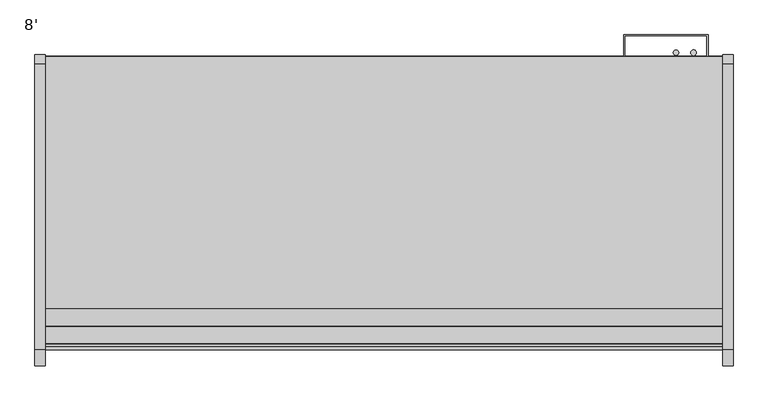
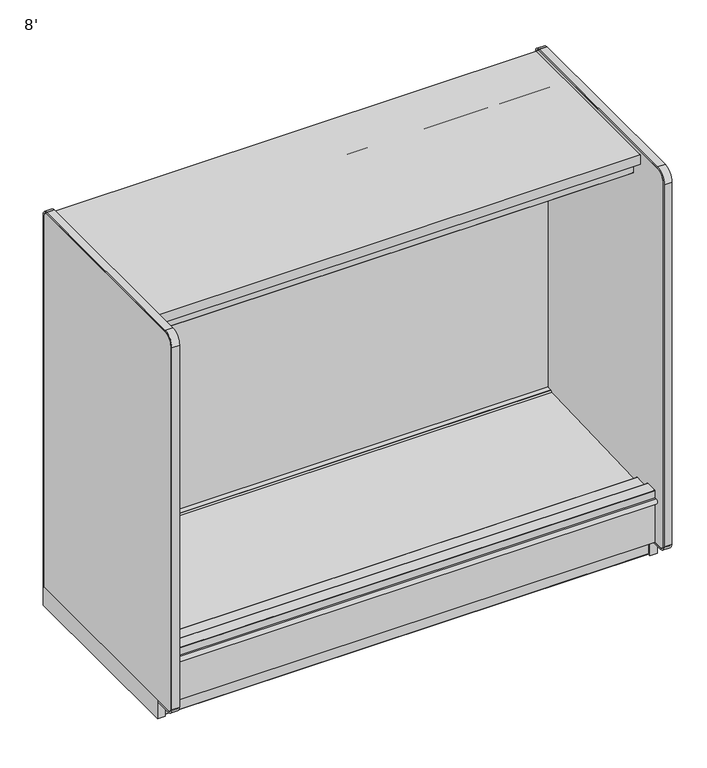
"""IFC4 building model written with IfcOpenShell, lengths in millimetres: proxy geometry, 8'."""

from ifc_helpers import new_model, si_unit, point, frame, frame_2d, origin, origin_with_axes, place, context, project, spatial, polyline, circle_curve, trimmed, segment, composite_curve, outline, extrude, source, transform, mapped, element, save
from ifc_brep_helpers import plane_surface, cylinder_surface, revolved_surface, advanced_brep


def proxy_8_c2cdbe22(model_context):
    return source(origin(), model_context, "Body", "SolidModel", [
        advanced_brep(
        [(2438.4, -1254.2383502, 105.16235), (2438.4, -1254.2383502, 5.1562), (2438.4, -1251.8507502, 2.7686), (2438.4, -1219.3133502, 2.7686), (2438.4, -1219.3133502, 70.23735), (2438.4, -489.0633502, 70.23735), (2438.4, -489.0633502, 2.7686), (2438.4, -456.5259502, 2.7686), (2438.4, -454.1383502, 5.1562), (2438.4, -454.1383502, 105.16235), (0.0, -1254.2383502, 105.16235), (0.0, -454.1383502, 105.16235), (0.0, -454.1383502, 5.1562), (0.0, -456.5259502, 2.7686), (0.0, -489.0633502, 2.7686), (0.0, -489.0633502, 70.23735), (0.0, -1219.3133502, 70.23735), (0.0, -1219.3133502, 2.7686), (0.0, -1251.8507502, 2.7686), (0.0, -1254.2383502, 5.1562), (1189.5855715, -1219.3133502, 70.23735), (1248.8144285, -1219.3133502, 70.23735), (2216.15, -1219.3133502, 70.23735), (2266.95, -1168.5133502, 70.23735), (2165.35, -1168.5133502, 70.23735), (1270.0, -1178.0383502, 70.23735), (1168.4, -1178.0383502, 70.23735), (2266.95, -1168.5133502, 105.16235), (2165.35, -1168.5133502, 105.16235), (1270.0, -1178.0383502, 105.16235), (1168.4, -1178.0383502, 105.16235)],
        [
            (0, 1),
            (1, 2, circle_curve(frame((2438.4, -1251.8507502, 5.1562), z_axis=(1.0, 0.0, 0.0), x_axis=(0.0, 1.0, 0.0)), 2.3876)),
            (2, 3),
            (3, 4),
            (4, 5),
            (5, 6),
            (6, 7),
            (7, 8, circle_curve(frame((2438.4, -456.5259502, 5.1562), z_axis=(1.0, 0.0, 0.0), x_axis=(0.0, 1.0, 0.0)), 2.3876)),
            (8, 9),
            (9, 0),
            (10, 11),
            (11, 12),
            (12, 13, circle_curve(frame((0.0, -456.5259502, 5.1562), z_axis=(-1.0, 0.0, 0.0), x_axis=(0.0, 1.0, 0.0)), 2.3876)),
            (13, 14),
            (14, 15),
            (15, 16),
            (16, 17),
            (17, 18),
            (18, 19, circle_curve(frame((0.0, -1251.8507502, 5.1562), z_axis=(-1.0, 0.0, 0.0), x_axis=(0.0, 1.0, 0.0)), 2.3876)),
            (19, 10),
            (0, 10),
            (19, 1),
            (18, 2),
            (17, 3),
            (16, 20),
            (20, 21),
            (21, 22),
            (22, 4),
            (22, 23, circle_curve(frame((2216.15, -1168.5133502, 70.23735), z_axis=(0.0, 0.0, 1.0), x_axis=(1.0, 0.0, 0.0)), 50.8)),
            (23, 24, circle_curve(frame((2216.15, -1168.5133502, 70.23735), z_axis=(0.0, 0.0, 1.0), x_axis=(1.0, 0.0, 0.0)), 50.8)),
            (24, 22, circle_curve(frame((2216.15, -1168.5133502, 70.23735), z_axis=(0.0, 0.0, 1.0), x_axis=(1.0, 0.0, 0.0)), 50.8)),
            (21, 25, circle_curve(frame((1219.2, -1178.0383502, 70.23735), z_axis=(0.0, 0.0, 1.0), x_axis=(1.0, 0.0, 0.0)), 50.8)),
            (25, 26, circle_curve(frame((1219.2, -1178.0383502, 70.23735), z_axis=(0.0, 0.0, 1.0), x_axis=(1.0, 0.0, 0.0)), 50.8)),
            (26, 20, circle_curve(frame((1219.2, -1178.0383502, 70.23735), z_axis=(0.0, 0.0, 1.0), x_axis=(1.0, 0.0, 0.0)), 50.8)),
            (15, 5),
            (14, 6),
            (13, 7),
            (12, 8),
            (11, 9),
            (27, 28, circle_curve(frame((2216.15, -1168.5133502, 105.16235), z_axis=(0.0, 0.0, -1.0), x_axis=(1.0, 0.0, 0.0)), 50.8)),
            (28, 27, circle_curve(frame((2216.15, -1168.5133502, 105.16235), z_axis=(0.0, 0.0, -1.0), x_axis=(1.0, 0.0, 0.0)), 50.8)),
            (29, 30, circle_curve(frame((1219.2, -1178.0383502, 105.16235), z_axis=(0.0, 0.0, -1.0), x_axis=(1.0, 0.0, 0.0)), 50.8)),
            (30, 29, circle_curve(frame((1219.2, -1178.0383502, 105.16235), z_axis=(0.0, 0.0, -1.0), x_axis=(1.0, 0.0, 0.0)), 50.8)),
            (24, 28),
            (27, 23),
            (20, 21, circle_curve(frame((1219.2, -1178.0383502, 70.23735), z_axis=(0.0, 0.0, 1.0), x_axis=(1.0, 0.0, 0.0)), 50.8)),
            (26, 30),
            (29, 25),
        ],
        [
            plane_surface(frame((2438.4, -1254.2383502, 105.16235), z_axis=(1.0, 0.0, 0.0), x_axis=(0.0, 0.0, -1.0))),
            plane_surface(frame((0.0, -1254.2383502, 105.16235), z_axis=(-1.0, 0.0, 0.0), x_axis=(0.0, 0.0, 1.0))),
            plane_surface(frame((2438.4, -1254.2383502, 105.16235), z_axis=(0.0, -1.0, 0.0), x_axis=(-1.0, 0.0, 0.0))),
            cylinder_surface(frame((0.0, -1251.8507502, 5.1562), z_axis=(1.0, 0.0, 0.0), x_axis=(0.0, 1.0, 0.0)), 2.3876),
            plane_surface(frame((2438.4, -1251.8507502, 2.7686), z_axis=(0.0, 0.0, -1.0), x_axis=(-1.0, 0.0, 0.0))),
            plane_surface(frame((2438.4, -1219.3133502, 2.7686), z_axis=(0.0, 1.0, 0.0), x_axis=(-1.0, 0.0, 0.0))),
            plane_surface(frame((2438.4, -1219.3133502, 70.23735), z_axis=(0.0, 0.0, -1.0), x_axis=(-1.0, 0.0, 0.0))),
            plane_surface(frame((2438.4, -489.0633502, 70.23735), z_axis=(0.0, -1.0, 0.0), x_axis=(-1.0, 0.0, 0.0))),
            plane_surface(frame((2438.4, -489.0633502, 2.7686), z_axis=(0.0, 0.0, -1.0), x_axis=(-1.0, 0.0, 0.0))),
            cylinder_surface(frame((0.0, -456.5259502, 5.1562), z_axis=(1.0, 0.0, 0.0), x_axis=(0.0, 1.0, 0.0)), 2.3876),
            plane_surface(frame((2438.4, -454.1383502, 5.1562), z_axis=(0.0, 1.0, 0.0), x_axis=(-1.0, 0.0, 0.0))),
            plane_surface(frame((2438.4, -454.1383502, 105.16235), z_axis=(0.0, 0.0, 1.0), x_axis=(-1.0, 0.0, 0.0))),
            revolved_surface(polyline([(2266.9500000000003, -1168.5133502, 105.16235), (2266.9500000000003, -1168.5133502, 70.23735)]), (2216.15, -1168.5133502, 70.23735), (0.0, 0.0, 1.0)),
            plane_surface(frame((1270.0, -1178.0383502, 70.23735), z_axis=(0.0, 0.0, 1.0), x_axis=(0.0, -1.0, 0.0))),
            revolved_surface(polyline([(1270.0, -1178.0383502, 105.16235), (1270.0, -1178.0383502, 70.23735)]), (1219.2, -1178.0383502, 70.23735), (0.0, 0.0, 1.0)),
        ],
        [
            (0, [[1, 2, 3, 4, 5, 6, 7, 8, 9, 10]]),
            (1, [[11, 12, 13, 14, 15, 16, 17, 18, 19, 20]]),
            (2, [[-1, 21, -20, 22]]),
            (3, [[-2, -22, -19, 23]]),
            (4, [[-3, -23, -18, 24]]),
            (5, [[-4, -24, -17, 25, 26, 27, 28]]),
            (6, [[-5, -28, 29, 30, 31, -27, 32, 33, 34, -25, -16, 35]]),
            (7, [[-6, -35, -15, 36]]),
            (8, [[-7, -36, -14, 37]]),
            (9, [[-8, -37, -13, 38]]),
            (10, [[-9, -38, -12, 39]]),
            (11, [[-10, -39, -11, -21], [40, 41], [42, 43]]),
            (12, [[44, -40, 45, -29, -31]]),
            (12, [[-44, -30, -45, -41]]),
            (13, [[46, -26]]),
            (14, [[-46, -34, 47, -42, 48, -32]]),
            (14, [[-47, -33, -48, -43]]),
        ],
    ),
        extrude(outline(composite_curve([segment(polyline([(-451.3697502, 24.892), (-451.3697502, 5.1562)]), True, "CONTINUOUS"), segment(trimmed(circle_curve(frame_2d((-456.5259502, 5.1562)), 5.1562), [point((-451.3697502, 5.1562))], [point((-456.5259502, 0.0))], False, "CARTESIAN"), True, "CONTINUOUS"), segment(polyline([(-456.5259502, 0.0), (-491.4382502, 0.0)]), True, "CONTINUOUS"), segment(trimmed(circle_curve(frame_2d((-491.4382502, 5.1562)), 5.1562), [point((-491.4382502, 0.0))], [point((-496.5944502, 5.1562))], False, "CARTESIAN"), True, "CONTINUOUS"), segment(polyline([(-496.5944502, 5.1562), (-496.5944502, 24.9047)]), True, "CONTINUOUS"), segment(trimmed(circle_curve(frame_2d((-498.9820502, 24.9047)), 2.3876), [point((-496.5944502, 24.9047))], [point((-498.9820502, 27.2923))], True, "CARTESIAN"), True, "CONTINUOUS"), segment(polyline([(-498.9820502, 27.2923), (-510.2088502, 27.2923)]), True, "CONTINUOUS"), segment(trimmed(circle_curve(frame_2d((-510.2088502, 24.9047)), 2.3876), [point((-510.2088502, 27.2923))], [point((-512.5964502, 24.9047))], True, "CARTESIAN"), True, "CONTINUOUS"), segment(polyline([(-512.5964502, 24.9047), (-512.5964502, 7.4422), (-516.0508502, 7.4422), (-516.0508502, 24.9047)]), True, "CONTINUOUS"), segment(trimmed(circle_curve(frame_2d((-510.8946502, 24.9047)), 5.1562), [point((-516.0508502, 24.9047))], [point((-510.8946502, 30.0609))], False, "CARTESIAN"), True, "CONTINUOUS"), segment(polyline([(-510.8946502, 30.0609), (-498.9820502, 30.0609)]), True, "CONTINUOUS"), segment(trimmed(circle_curve(frame_2d((-498.9820502, 24.9047)), 5.1562), [point((-498.9820502, 30.0609))], [point((-493.8258502, 24.9047))], False, "CARTESIAN"), True, "CONTINUOUS"), segment(polyline([(-493.8258502, 24.9047), (-493.8258502, 5.1562)]), True, "CONTINUOUS"), segment(trimmed(circle_curve(frame_2d((-491.4382502, 5.1562)), 2.3876), [point((-493.8258502, 5.1562))], [point((-491.4382502, 2.7686))], True, "CARTESIAN"), True, "CONTINUOUS"), segment(polyline([(-491.4382502, 2.7686), (-456.5259502, 2.7686)]), True, "CONTINUOUS"), segment(trimmed(circle_curve(frame_2d((-456.5259502, 5.1562)), 2.3876), [point((-456.5259502, 2.7686))], [point((-454.1383502, 5.1562))], True, "CARTESIAN"), True, "CONTINUOUS"), segment(polyline([(-454.1383502, 5.1562), (-454.1383502, 24.892), (-451.3697502, 24.892)]), True, "CONTINUOUS")], self_intersect=False)), frame((0.0, 0.0, 0.0), z_axis=(1.0, 0.0, 0.0), x_axis=(0.0, 1.0, 0.0)), (0.0, 0.0, 1.0), 2438.4),
        extrude(outline(composite_curve([segment(polyline([(-1257.0069502, 24.892), (-1254.2383502, 24.892), (-1254.2383502, 5.1562)]), True, "CONTINUOUS"), segment(trimmed(circle_curve(frame_2d((-1251.8507502, 5.1562)), 2.3876), [point((-1254.2383502, 5.1562))], [point((-1251.8507502, 2.7686))], True, "CARTESIAN"), True, "CONTINUOUS"), segment(polyline([(-1251.8507502, 2.7686), (-1216.9384502, 2.7686)]), True, "CONTINUOUS"), segment(trimmed(circle_curve(frame_2d((-1216.9384502, 5.1562)), 2.3876), [point((-1216.9384502, 2.7686))], [point((-1214.5508502, 5.1562))], True, "CARTESIAN"), True, "CONTINUOUS"), segment(polyline([(-1214.5508502, 5.1562), (-1214.5508502, 24.9047)]), True, "CONTINUOUS"), segment(trimmed(circle_curve(frame_2d((-1209.3946502, 24.9047)), 5.1562), [point((-1214.5508502, 24.9047))], [point((-1209.3946502, 30.0609))], False, "CARTESIAN"), True, "CONTINUOUS"), segment(polyline([(-1209.3946502, 30.0609), (-1197.4820502, 30.0609)]), True, "CONTINUOUS"), segment(trimmed(circle_curve(frame_2d((-1197.4820502, 24.9047)), 5.1562), [point((-1197.4820502, 30.0609))], [point((-1192.3258502, 24.9047))], False, "CARTESIAN"), True, "CONTINUOUS"), segment(polyline([(-1192.3258502, 24.9047), (-1192.3258502, 7.4422), (-1195.7802502, 7.4422), (-1195.7802502, 24.9047)]), True, "CONTINUOUS"), segment(trimmed(circle_curve(frame_2d((-1198.1678502, 24.9047)), 2.3876), [point((-1195.7802502, 24.9047))], [point((-1198.1678502, 27.2923))], True, "CARTESIAN"), True, "CONTINUOUS"), segment(polyline([(-1198.1678502, 27.2923), (-1209.3946502, 27.2923)]), True, "CONTINUOUS"), segment(trimmed(circle_curve(frame_2d((-1209.3946502, 24.9047)), 2.3876), [point((-1209.3946502, 27.2923))], [point((-1211.7822502, 24.9047))], True, "CARTESIAN"), True, "CONTINUOUS"), segment(polyline([(-1211.7822502, 24.9047), (-1211.7822502, 5.1562)]), True, "CONTINUOUS"), segment(trimmed(circle_curve(frame_2d((-1216.9384502, 5.1562)), 5.1562), [point((-1211.7822502, 5.1562))], [point((-1216.9384502, 0.0))], False, "CARTESIAN"), True, "CONTINUOUS"), segment(polyline([(-1216.9384502, 0.0), (-1251.8507502, 0.0)]), True, "CONTINUOUS"), segment(trimmed(circle_curve(frame_2d((-1251.8507502, 5.1562)), 5.1562), [point((-1251.8507502, 0.0))], [point((-1257.0069502, 5.1562))], False, "CARTESIAN"), True, "CONTINUOUS"), segment(polyline([(-1257.0069502, 5.1562), (-1257.0069502, 24.892)]), True, "CONTINUOUS")], self_intersect=False)), frame((0.0, 0.0, 0.0), z_axis=(1.0, 0.0, 0.0), x_axis=(0.0, 1.0, 0.0)), (0.0, 0.0, 1.0), 2438.4),
        extrude(outline(composite_curve([segment(trimmed(circle_curve(frame_2d((2270.6209056, -439.1639482)), 9.525), [point((2261.0959056, -439.1639482))], [point((2280.1459056, -439.1639482))], False, "CARTESIAN"), True, "CONTINUOUS"), segment(trimmed(circle_curve(frame_2d((2270.6209056, -439.1639482)), 9.525), [point((2280.1459056, -439.1639482))], [point((2261.0959056, -439.1639482))], False, "CARTESIAN"), True, "CONTINUOUS")], self_intersect=False)), frame((0.0, 0.0, 792.5674787), z_axis=(0.0, 0.0, 1.0), x_axis=(1.0, 0.0, 0.0)), (0.0, 0.0, 1.0), 1168.7570226),
        extrude(outline(composite_curve([segment(trimmed(circle_curve(frame_2d((2334.1917977, -439.6429538)), 10.2531742), [point((2323.9386235, -439.6429538))], [point((2344.4449719, -439.6429538))], False, "CARTESIAN"), True, "CONTINUOUS"), segment(trimmed(circle_curve(frame_2d((2334.1917977, -439.6429538)), 10.2531742), [point((2344.4449719, -439.6429538))], [point((2323.9386235, -439.6429538))], False, "CARTESIAN"), True, "CONTINUOUS")], self_intersect=False)), frame((0.0, 0.0, 792.5674787), z_axis=(0.0, 0.0, 1.0), x_axis=(1.0, 0.0, 0.0)), (0.0, 0.0, 1.0), 1168.7570226),
        extrude(outline(polyline([(2082.8, -375.1697502), (2387.6, -375.1697502), (2387.6, -451.3697502), (2381.880599, -451.3697502), (2381.880599, -377.80742), (2086.6597521, -377.80742), (2086.6597521, -451.3697502), (2082.8, -451.3697502), (2082.8, -375.1697502)])), frame((0.0, 0.0, 237.9789513), z_axis=(0.0, 0.0, 1.0), x_axis=(1.0, 0.0, 0.0)), (0.0, 0.0, 1.0), 1710.01055),
        extrude(outline(polyline([(2476.5, -446.4985065), (2476.5, -1443.7687873), (2438.4, -1443.7687873), (2438.4, -446.4985065), (2476.5, -446.4985065)])), origin_with_axes(), (0.0, 0.0, 1.0), 98.81235),
        extrude(outline(composite_curve([segment(trimmed(circle_curve(frame_2d((-1497.6269405, 323.2962194)), 12.7), [point((-1497.6269405, 310.5962194))], [point((-1497.6269405, 335.9962194))], False, "CARTESIAN"), True, "CONTINUOUS"), segment(polyline([(-1497.6269405, 335.9962194), (-1489.2352586, 335.9962194), (-1489.2352586, 310.5962194), (-1497.6269405, 310.5962194)]), True, "CONTINUOUS")], self_intersect=False)), frame((0.0, 0.0, 0.0), z_axis=(1.0, 0.0, 0.0), x_axis=(0.0, 1.0, 0.0)), (0.0, 0.0, 1.0), 2438.4),
        extrude(outline(polyline([(2438.4, -1199.723124), (2438.4, -1299.5321065), (0.0, -1299.5321065), (0.0, -1199.723124), (2438.4, -1199.723124)])), frame((0.0, 0.0, 1949.1777451), z_axis=(0.0, 0.0, 1.0), x_axis=(1.0, 0.0, 0.0)), (0.0, 0.0, 1.0), 24.9083039),
        extrude(outline(polyline([(2438.4, -1425.21163), (2438.4, -1474.7938566), (0.0, -1474.7938566), (0.0, -1425.21163), (2438.4, -1425.21163)])), frame((0.0, 0.0, 269.2585075), z_axis=(0.0, 0.0, 1.0), x_axis=(1.0, 0.0, 0.0)), (0.0, 0.0, 1.0), 86.5178535),
        extrude(outline(composite_curve([segment(polyline([(-1487.3589273, 323.2962194), (-1489.2352586, 323.2962194), (-1489.2352586, 373.8422194)]), True, "CONTINUOUS"), segment(trimmed(circle_curve(frame_2d((-1487.6604586, 373.8422194)), 1.5748), [point((-1489.2352586, 373.8422194))], [point((-1487.6604586, 375.4170194))], False, "CARTESIAN"), True, "CONTINUOUS"), segment(polyline([(-1487.6604586, 375.4170194), (-1426.6598594, 375.4170194)]), True, "CONTINUOUS"), segment(trimmed(circle_curve(frame_2d((-1426.6598594, 373.8422194)), 1.5748), [point((-1426.6598594, 375.4170194))], [point((-1425.0850594, 373.8422194))], False, "CARTESIAN"), True, "CONTINUOUS"), segment(polyline([(-1425.0850594, 373.8422194), (-1425.0850594, 355.7763611), (-1474.7938566, 355.7763611), (-1474.7938566, 105.16235), (-1457.9209502, 105.16235), (-1457.9209502, 97.61855), (-1487.3589273, 97.61855), (-1487.3589273, 323.2962194)]), True, "CONTINUOUS")], self_intersect=False)), frame((0.0, 0.0, 0.0), z_axis=(1.0, 0.0, 0.0), x_axis=(0.0, 1.0, 0.0)), (0.0, 0.0, 1.0), 2438.4),
        extrude(outline(composite_curve([segment(polyline([(-504.1937745, 187.1774545), (-1341.005955, 157.9553293), (-1425.21163, 167.5451411), (-1425.21163, 347.5376575), (-1336.1824949, 350.6466237)]), True, "CONTINUOUS"), segment(trimmed(circle_curve(frame_2d((-1336.1142384, 348.6920151)), 1.9558), [point((-1336.1824949, 350.6466237))], [point((-1334.1596299, 348.7602715))], False, "CARTESIAN"), True, "CONTINUOUS"), segment(polyline([(-1334.1596299, 348.7602715), (-1333.2971167, 324.0611268), (-589.0533013, 350.0506957), (-582.1621455, 357.4405555)]), True, "CONTINUOUS"), segment(trimmed(circle_curve(frame_2d((-581.0475625, 356.40119)), 1.524), [point((-582.1621455, 357.4405555))], [point((-581.1007493, 357.9242616))], False, "CARTESIAN"), True, "CONTINUOUS"), segment(polyline([(-581.1007493, 357.9242616), (-555.6910045, 358.8115894), (-555.6910045, 237.9789513), (-504.1937745, 237.9789513), (-504.1937745, 187.1774545)]), True, "CONTINUOUS")], self_intersect=False)), frame((0.0, 0.0, 0.0), z_axis=(1.0, 0.0, 0.0), x_axis=(0.0, 1.0, 0.0)), (0.0, 0.0, 1.0), 2438.4),
        extrude(outline(composite_curve([segment(polyline([(-504.1937745, 237.9789513), (-555.6910045, 237.9789513), (-555.6910045, 1936.2930061)]), True, "CONTINUOUS"), segment(trimmed(circle_curve(frame_2d((-581.1383502, 1935.8737013)), 25.4508), [point((-555.6910045, 1936.2930061))], [point((-581.1383502, 1961.3245013))], True, "CARTESIAN"), True, "CONTINUOUS"), segment(polyline([(-581.1383502, 1961.3245013), (-648.0165502, 1961.3245013), (-648.0165502, 1975.0611268), (-1198.4332802, 1975.0611268), (-1198.4332802, 1949.4119013)]), True, "CONTINUOUS"), segment(trimmed(circle_curve(frame_2d((-1199.9572802, 1949.4119013)), 1.524), [point((-1198.4332802, 1949.4119013))], [point((-1199.9572802, 1947.8879013))], False, "CARTESIAN"), True, "CONTINUOUS"), segment(polyline([(-1199.9572802, 1947.8879013), (-1210.3458802, 1947.8879013), (-1210.3458802, 1949.1777451), (-1199.723124, 1949.1777451), (-1199.723124, 1974.0860489), (-1299.5321065, 1974.0860489), (-1299.5321065, 1949.2793451), (-1290.3444502, 1949.2793451), (-1290.3444502, 1947.9895013), (-1299.5019338, 1947.9895013)]), True, "CONTINUOUS"), segment(trimmed(circle_curve(frame_2d((-1299.5019338, 1949.3095178)), 1.3200165), [point((-1299.5019338, 1947.9895013))], [point((-1300.8219502, 1949.3095178))], False, "CARTESIAN"), True, "CONTINUOUS"), segment(polyline([(-1300.8219502, 1949.3095178), (-1300.8219502, 2029.1361513), (-504.1937745, 2029.1361513), (-504.1937745, 237.9789513)]), True, "CONTINUOUS")], self_intersect=False)), frame((0.0, 0.0, 0.0), z_axis=(1.0, 0.0, 0.0), x_axis=(0.0, 1.0, 0.0)), (0.0, 0.0, 1.0), 2438.4),
        extrude(outline(polyline([(-454.1383502, 2079.9361513), (-454.1383502, 304.27295), (-504.1937745, 304.27295), (-504.1937745, 2029.1361513), (-1361.2177409, 2029.1361513), (-1361.2177409, 2079.9361513), (-454.1383502, 2079.9361513)])), frame((0.0, 0.0, 0.0), z_axis=(1.0, 0.0, 0.0), x_axis=(0.0, 1.0, 0.0)), (0.0, 0.0, 1.0), 2438.4),
        extrude(outline(polyline([(-1474.7938566, 105.16235), (-1474.7938566, 269.2585075), (-1425.21163, 269.2585075), (-1425.21163, 167.5451411), (-1341.005955, 157.9553293), (-504.1937745, 187.1774545), (-504.1937745, 304.27295), (-454.1383502, 304.27295), (-454.1383502, 105.16235), (-1474.7938566, 105.16235)])), frame((0.0, 0.0, 0.0), z_axis=(1.0, 0.0, 0.0), x_axis=(0.0, 1.0, 0.0)), (0.0, 0.0, 1.0), 2438.4),
        extrude(outline(composite_curve([segment(trimmed(circle_curve(frame_2d((-1428.9268502, 1.524)), 1.524), [point((-1428.9268502, 0.0))], [point((-1430.4508502, 1.524))], False, "CARTESIAN"), True, "CONTINUOUS"), segment(polyline([(-1430.4508502, 1.524), (-1430.4508502, 98.425)]), True, "CONTINUOUS"), segment(trimmed(circle_curve(frame_2d((-1429.7142502, 98.425)), 0.7366), [point((-1430.4508502, 98.425))], [point((-1429.7142502, 99.1616))], False, "CARTESIAN"), True, "CONTINUOUS"), segment(polyline([(-1429.7142502, 99.1616), (-1429.7142502, 1.524)]), True, "CONTINUOUS"), segment(trimmed(circle_curve(frame_2d((-1428.9268502, 1.524)), 0.7874), [point((-1429.7142502, 1.524))], [point((-1428.9268502, 0.7366))], True, "CARTESIAN"), True, "CONTINUOUS"), segment(polyline([(-1428.9268502, 0.7366), (-1425.8193538, 0.7366), (-1425.3035809, 1.4732), (-1419.6901809, 1.4732)]), True, "CONTINUOUS"), segment(trimmed(circle_curve(frame_2d((-1419.6901809, 0.7366)), 0.7366), [point((-1419.6901809, 1.4732))], [point((-1419.6901809, 0.0))], False, "CARTESIAN"), True, "CONTINUOUS"), segment(polyline([(-1419.6901809, 0.0), (-1428.9268502, 0.0)]), True, "CONTINUOUS")], self_intersect=False)), frame((0.0, 0.0, 0.0), z_axis=(1.0, 0.0, 0.0), x_axis=(0.0, 1.0, 0.0)), (0.0, 0.0, 1.0), 2438.4),
        extrude(outline(composite_curve([segment(polyline([(-479.5383502, 2098.675), (-1509.9417448, 2098.675)]), True, "CONTINUOUS"), segment(trimmed(circle_curve(frame_2d((-1509.9417448, 2047.875)), 50.8), [point((-1509.9417448, 2098.675))], [point((-1560.7417448, 2047.875))], True, "CARTESIAN"), True, "CONTINUOUS"), segment(polyline([(-1560.7417448, 2047.875), (-1560.7417448, 124.21235)]), True, "CONTINUOUS"), segment(trimmed(circle_curve(frame_2d((-1535.3417448, 124.21235)), 25.4), [point((-1560.7417448, 124.21235))], [point((-1535.3417448, 98.81235))], True, "CARTESIAN"), True, "CONTINUOUS"), segment(polyline([(-1535.3417448, 98.81235), (-1443.7687873, 98.81235), (-1443.7687873, 91.1725063), (-1535.3417448, 91.1725063)]), True, "CONTINUOUS"), segment(trimmed(circle_curve(frame_2d((-1535.3417448, 124.21235)), 33.0398438), [point((-1535.3417448, 91.1725063))], [point((-1568.3815885, 124.21235))], False, "CARTESIAN"), True, "CONTINUOUS"), segment(polyline([(-1568.3815885, 124.21235), (-1568.3815885, 2047.875)]), True, "CONTINUOUS"), segment(trimmed(circle_curve(frame_2d((-1509.9417448, 2047.875)), 58.4398437), [point((-1568.3815885, 2047.875))], [point((-1509.9417448, 2106.3148438))], False, "CARTESIAN"), True, "CONTINUOUS"), segment(polyline([(-1509.9417448, 2106.3148438), (-479.5383502, 2106.3148438)]), True, "CONTINUOUS"), segment(trimmed(circle_curve(frame_2d((-479.5383502, 2073.275)), 33.0398438), [point((-479.5383502, 2106.3148438))], [point((-446.4985065, 2073.275))], False, "CARTESIAN"), True, "CONTINUOUS"), segment(polyline([(-446.4985065, 2073.275), (-446.4985065, 98.81235), (-454.1383502, 98.81235), (-454.1383502, 2073.275)]), True, "CONTINUOUS"), segment(trimmed(circle_curve(frame_2d((-479.5383502, 2073.275)), 25.4), [point((-454.1383502, 2073.275))], [point((-479.5383502, 2098.675))], True, "CARTESIAN"), True, "CONTINUOUS")], self_intersect=False)), frame((2438.4, 0.0, 0.0), z_axis=(1.0, 0.0, 0.0), x_axis=(0.0, 1.0, 0.0)), (0.0, 0.0, 1.0), 38.1),
        extrude(outline(composite_curve([segment(trimmed(circle_curve(frame_2d((-479.5383502, 2073.275)), 25.4), [point((-479.5383502, 2098.675))], [point((-454.1383502, 2073.275))], False, "CARTESIAN"), True, "CONTINUOUS"), segment(polyline([(-454.1383502, 2073.275), (-454.1383502, 98.81235), (-1535.3417448, 98.81235)]), True, "CONTINUOUS"), segment(trimmed(circle_curve(frame_2d((-1535.3417448, 124.21235)), 25.4), [point((-1535.3417448, 98.81235))], [point((-1560.7417448, 124.21235))], False, "CARTESIAN"), True, "CONTINUOUS"), segment(polyline([(-1560.7417448, 124.21235), (-1560.7417448, 2047.875)]), True, "CONTINUOUS"), segment(trimmed(circle_curve(frame_2d((-1509.9417448, 2047.875)), 50.8), [point((-1560.7417448, 2047.875))], [point((-1509.9417448, 2098.675))], False, "CARTESIAN"), True, "CONTINUOUS"), segment(polyline([(-1509.9417448, 2098.675), (-479.5383502, 2098.675)]), True, "CONTINUOUS")], self_intersect=False)), frame((2438.4, 0.0, 0.0), z_axis=(1.0, 0.0, 0.0), x_axis=(0.0, 1.0, 0.0)), (0.0, 0.0, 1.0), 38.1),
        extrude(outline(polyline([(0.0, -446.4985065), (0.0, -1443.7687873), (-38.1, -1443.7687873), (-38.1, -446.4985065), (0.0, -446.4985065)])), origin_with_axes(), (0.0, 0.0, 1.0), 98.81235),
        extrude(outline(composite_curve([segment(polyline([(-479.5383502, 2098.675), (-1509.9417448, 2098.675)]), True, "CONTINUOUS"), segment(trimmed(circle_curve(frame_2d((-1509.9417448, 2047.875)), 50.8), [point((-1509.9417448, 2098.675))], [point((-1560.7417448, 2047.875))], True, "CARTESIAN"), True, "CONTINUOUS"), segment(polyline([(-1560.7417448, 2047.875), (-1560.7417448, 124.21235)]), True, "CONTINUOUS"), segment(trimmed(circle_curve(frame_2d((-1535.3417448, 124.21235)), 25.4), [point((-1560.7417448, 124.21235))], [point((-1535.3417448, 98.81235))], True, "CARTESIAN"), True, "CONTINUOUS"), segment(polyline([(-1535.3417448, 98.81235), (-1443.7687873, 98.81235), (-1443.7687873, 91.1725063), (-1535.3417448, 91.1725063)]), True, "CONTINUOUS"), segment(trimmed(circle_curve(frame_2d((-1535.3417448, 124.21235)), 33.0398438), [point((-1535.3417448, 91.1725063))], [point((-1568.3815885, 124.21235))], False, "CARTESIAN"), True, "CONTINUOUS"), segment(polyline([(-1568.3815885, 124.21235), (-1568.3815885, 2047.875)]), True, "CONTINUOUS"), segment(trimmed(circle_curve(frame_2d((-1509.9417448, 2047.875)), 58.4398437), [point((-1568.3815885, 2047.875))], [point((-1509.9417448, 2106.3148438))], False, "CARTESIAN"), True, "CONTINUOUS"), segment(polyline([(-1509.9417448, 2106.3148438), (-479.5383502, 2106.3148438)]), True, "CONTINUOUS"), segment(trimmed(circle_curve(frame_2d((-479.5383502, 2073.275)), 33.0398438), [point((-479.5383502, 2106.3148438))], [point((-446.4985065, 2073.275))], False, "CARTESIAN"), True, "CONTINUOUS"), segment(polyline([(-446.4985065, 2073.275), (-446.4985065, 98.81235), (-454.1383502, 98.81235), (-454.1383502, 2073.275)]), True, "CONTINUOUS"), segment(trimmed(circle_curve(frame_2d((-479.5383502, 2073.275)), 25.4), [point((-454.1383502, 2073.275))], [point((-479.5383502, 2098.675))], True, "CARTESIAN"), True, "CONTINUOUS")], self_intersect=False)), frame((-38.1, 0.0, 0.0), z_axis=(1.0, 0.0, 0.0), x_axis=(0.0, 1.0, 0.0)), (0.0, 0.0, 1.0), 38.1),
        extrude(outline(composite_curve([segment(trimmed(circle_curve(frame_2d((-479.5383502, 2073.275)), 25.4), [point((-479.5383502, 2098.675))], [point((-454.1383502, 2073.275))], False, "CARTESIAN"), True, "CONTINUOUS"), segment(polyline([(-454.1383502, 2073.275), (-454.1383502, 98.81235), (-1535.3417448, 98.81235)]), True, "CONTINUOUS"), segment(trimmed(circle_curve(frame_2d((-1535.3417448, 124.21235)), 25.4), [point((-1535.3417448, 98.81235))], [point((-1560.7417448, 124.21235))], False, "CARTESIAN"), True, "CONTINUOUS"), segment(polyline([(-1560.7417448, 124.21235), (-1560.7417448, 2047.875)]), True, "CONTINUOUS"), segment(trimmed(circle_curve(frame_2d((-1509.9417448, 2047.875)), 50.8), [point((-1560.7417448, 2047.875))], [point((-1509.9417448, 2098.675))], False, "CARTESIAN"), True, "CONTINUOUS"), segment(polyline([(-1509.9417448, 2098.675), (-479.5383502, 2098.675)]), True, "CONTINUOUS")], self_intersect=False)), frame((-38.1, 0.0, 0.0), z_axis=(1.0, 0.0, 0.0), x_axis=(0.0, 1.0, 0.0)), (0.0, 0.0, 1.0), 38.1),
    ])


if __name__ == "__main__":
    model = new_model("IFC4")
    model_context = context("Model", 3, world=origin())
    ifc_project = project(units=[si_unit("LENGTHUNIT", "METRE", prefix="MILLI")], contexts=[model_context])
    site = spatial("IfcSite", under=ifc_project)
    building = spatial("IfcBuilding", under=site)
    placement = place(None, origin())
    proxy_8_shape = proxy_8_c2cdbe22(model_context)
    element("IfcBuildingElementProxy", 1, Name="8'", ObjectType="8'", at=placement, inside=building, context=model_context, shape_type="MappedRepresentation", body=[
        mapped(proxy_8_shape, transform((0.0, 0.0, 0.0), x_axis=(1.0, 0.0, 0.0), y_axis=(0.0, 1.0, 0.0), z_axis=(0.0, 0.0, 1.0))),
    ])
    save(model, "model.ifc")
